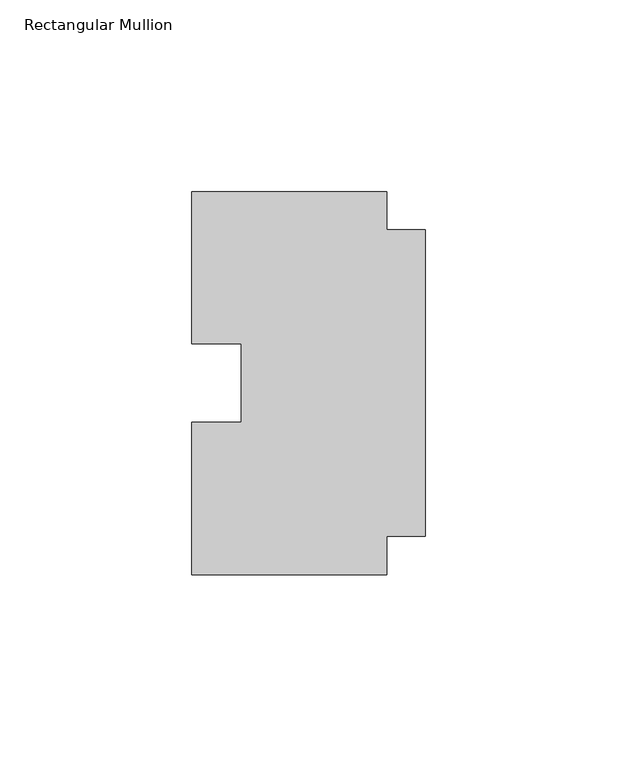
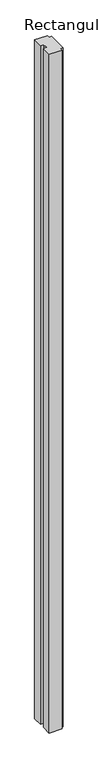
"""IFC4 building model written with IfcOpenShell, lengths in millimetres: member geometry, Rectangular Mullion."""

from ifc_helpers import new_model, si_unit, frame, origin, place, context, project, spatial, polyline, outline, extrude, source, transform, mapped, element, save


def rectangular_mullion_0a1822d4(model_context):
    return source(origin(), model_context, "Body", "SweptSolid", [
        extrude(outline(polyline([(-10.0, -40.0), (-10.0, -50.0), (-61.0, -50.0), (-61.0, -10.25), (-48.0, -10.25), (-48.0, 10.25), (-61.0, 10.25), (-61.0, 50.0), (-10.0, 50.0), (-10.0, 40.0), (0.0, 40.0), (0.0, -40.0), (-10.0, -40.0)])), frame((0.0, 0.0, -2878.0), z_axis=(0.0, 0.0, 1.0), x_axis=(1.0, 0.0, 0.0)), (0.0, 0.0, 1.0), 2878.0),
    ])


if __name__ == "__main__":
    model = new_model("IFC4")
    model_context = context("Model", 3, world=origin())
    ifc_project = project(units=[si_unit("LENGTHUNIT", "METRE", prefix="MILLI")], contexts=[model_context])
    site = spatial("IfcSite", under=ifc_project)
    building = spatial("IfcBuilding", under=site)
    placement = place(None, origin())
    rectangular_mullion_shape = rectangular_mullion_0a1822d4(model_context)
    element("IfcMember", 1, ObjectType="Rectangular Mullion", at=placement, inside=building, context=model_context, shape_type="MappedRepresentation", body=[
        mapped(rectangular_mullion_shape, transform((0.0, 0.0, 0.0), x_axis=(1.0, 0.0, 0.0), y_axis=(0.0, 1.0, 0.0), z_axis=(0.0, 0.0, 1.0))),
    ])
    save(model, "model.ifc")
